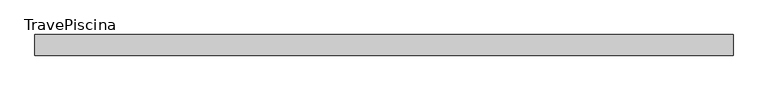
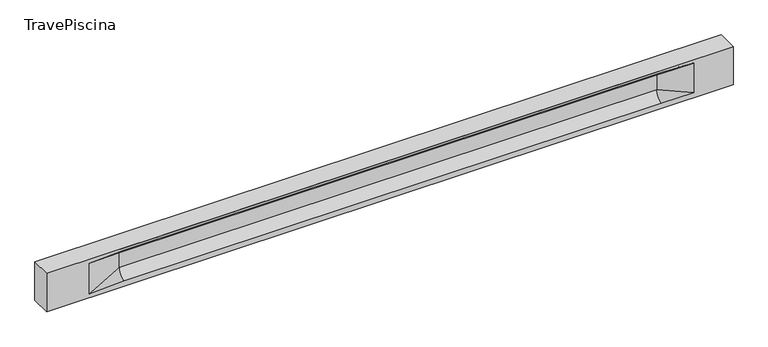
"""IFC4 building model written with IfcOpenShell, lengths in millimetres: beam geometry, TravePiscina."""

from ifc_helpers import new_model, si_unit, frame, origin, place, context, project, spatial, polyline, circle_curve, source, transform, mapped, element, save
from ifc_brep_helpers import plane_surface, revolved_surface, spline_surface, advanced_brep


def travepiscina_ce2eaea9(model_context):
    return source(origin(), model_context, "Body", "AdvancedBrep", [
        advanced_brep(
        [(8468.0, -250.0, 500.0), (8468.0, -250.0, -500.0), (8468.0, 250.0, -500.0), (8468.0, 250.0, 500.0), (-8468.0, -250.0, 500.0), (-8468.0, -250.0, -500.0), (7493.0, -250.0, -362.0), (6693.0, -250.0, -360.0), (-6568.0, -250.0, -360.0), (-7418.0, -250.0, -400.0), (-7418.0, -250.0, 400.0), (-6568.0, -250.0, 435.0), (6693.0, -250.0, 435.0), (7493.0, -250.0, 400.0), (-8468.0, 250.0, -500.0), (-8468.0, 250.0, 500.0), (7493.0, 250.0, 400.0), (6693.0, 250.0, 435.0), (-6568.0, 250.0, 435.0), (-7418.0, 250.0, 400.0), (-7418.0, 250.0, -400.0), (-6568.0, 250.0, -360.0), (6693.0, 250.0, -360.0), (7493.0, 250.0, -362.0), (6693.0, 155.0, 405.0), (-6568.0, 155.0, 405.0), (-6568.0, -60.0, 262.777021), (6693.0, -60.0, 262.777021), (6693.0, -155.0, 405.0), (-6568.0, -155.0, 405.0), (-6568.0, 60.0, 262.777021), (6693.0, 60.0, 262.777021), (6693.0, 60.0, -120.0), (-6568.0, 60.0, -120.0), (-6568.0, -60.0, -120.0), (6693.0, -60.0, -120.0)],
        [
            (0, 1),
            (1, 2),
            (2, 3),
            (3, 0),
            (0, 4),
            (4, 5),
            (5, 1),
            (6, 7),
            (7, 8),
            (8, 9),
            (9, 10),
            (10, 11),
            (11, 12),
            (12, 13),
            (13, 6),
            (5, 14),
            (14, 2),
            (14, 15),
            (15, 3),
            (16, 17),
            (17, 18),
            (18, 19),
            (19, 20),
            (20, 21),
            (21, 22),
            (22, 23),
            (23, 16),
            (15, 4),
            (17, 24),
            (24, 25),
            (25, 18),
            (26, 27),
            (27, 28, circle_curve(frame((6693.0, -213.9598725, 262.777021), z_axis=(1.0, 0.0, 0.0), x_axis=(0.0, 1.0, 0.0)), 153.9598725)),
            (28, 29),
            (29, 26, circle_curve(frame((-6568.0, -213.9598725, 262.777021), z_axis=(-1.0, 0.0, 0.0), x_axis=(0.0, 1.0, 0.0)), 153.9598725)),
            (30, 31),
            (31, 32),
            (32, 33),
            (33, 30),
            (28, 12),
            (11, 29),
            (34, 35),
            (35, 27),
            (26, 34),
            (25, 19),
            (22, 32, circle_curve(frame((6693.0, 306.5789474, -120.0), z_axis=(-1.0, 0.0, 0.0), x_axis=(0.0, 1.0, 0.0)), 246.5789474)),
            (32, 23),
            (10, 29),
            (10, 26),
            (13, 28),
            (27, 13),
            (30, 19),
            (25, 30, circle_curve(frame((-6568.0, 213.9598725, 262.777021), z_axis=(1.0, 0.0, 0.0), x_axis=(0.0, 1.0, 0.0)), 153.9598725)),
            (9, 34),
            (8, 34, circle_curve(frame((-6568.0, -306.5789474, -120.0), z_axis=(1.0, 0.0, 0.0), x_axis=(0.0, 1.0, 0.0)), 246.5789474)),
            (20, 33),
            (33, 21, circle_curve(frame((-6568.0, 306.5789474, -120.0), z_axis=(1.0, 0.0, 0.0), x_axis=(0.0, 1.0, 0.0)), 246.5789474)),
            (35, 6),
            (35, 7, circle_curve(frame((6693.0, -306.5789474, -120.0), z_axis=(-1.0, 0.0, 0.0), x_axis=(0.0, 1.0, 0.0)), 246.5789474)),
            (31, 16),
            (31, 24, circle_curve(frame((6693.0, 213.9598725, 262.777021), z_axis=(-1.0, 0.0, 0.0), x_axis=(0.0, 1.0, 0.0)), 153.9598725)),
            (24, 16),
        ],
        [
            plane_surface(frame((8468.0, 0.0, 0.0), z_axis=(1.0, 0.0, 0.0), x_axis=(0.0, 0.0, 1.0))),
            plane_surface(frame((8468.0, -250.0, 500.0), z_axis=(0.0, -1.0, 0.0), x_axis=(-1.0, 0.0, 0.0))),
            plane_surface(frame((8468.0, -250.0, -500.0), z_axis=(0.0, 0.0, -1.0), x_axis=(-1.0, 0.0, 0.0))),
            plane_surface(frame((8468.0, 250.0, -500.0), z_axis=(0.0, 1.0, 0.0), x_axis=(-1.0, 0.0, 0.0))),
            plane_surface(frame((8468.0, 250.0, 500.0), z_axis=(0.0, 0.0, 1.0), x_axis=(-1.0, 0.0, 0.0))),
            plane_surface(frame((-6568.0, 250.0, 435.0), z_axis=(0.0, 0.30113136793710954, -0.9535826651341378), x_axis=(1.0, 0.0, 0.0))),
            plane_surface(frame((-8468.0, 0.0, 0.0), z_axis=(-1.0, 0.0, 0.0), x_axis=(0.0, 0.0, 1.0))),
            revolved_surface(polyline([(6693.0, -60.0, 262.777021), (-6568.0, -60.0, 262.777021)]), (-6568.0, -213.9598725, 262.777021), (1.0, 0.0, 0.0)),
            plane_surface(frame((-6568.0, 60.0, 262.777021), z_axis=(0.0, 1.0, 0.0), x_axis=(1.0, 0.0, 0.0))),
            plane_surface(frame((-6568.0, -155.0, 405.0), z_axis=(0.0, -0.30113136793710693, -0.9535826651341387), x_axis=(1.0, 0.0, 0.0))),
            plane_surface(frame((-6568.0, -60.0, -120.0), z_axis=(0.0, -1.0, 0.0), x_axis=(1.0, 0.0, 0.0))),
            plane_surface(frame((-7418.0, 250.0, 400.0), z_axis=(0.03923493491469455, 0.30089950084952793, -0.9528484193567961), x_axis=(0.0, 0.9535826651341378, 0.30113136793710954))),
            spline_surface(2, 1, [[(6693.0, 250.0, -360.0), (7493.0, 250.0, -362.0)], [(6693.0, 60.00000002887427, -315.20833329480604), (7493.0, 250.0, -362.0)], [(6693.0, 60.0, -120.0), (7493.0, 250.0, -362.0)]], [3, 3], [2, 2], [0.0, 1.0], [0.0, 1.0], weights=[[1.0, 1.0], [0.7840458245391329, 0.7840458245391329], [1.0, 1.0]]),
            plane_surface(frame((-7418.0, -250.0, 400.0), z_axis=(0.039234934914694576, -0.3008995008495253, -0.952848419356797), x_axis=(0.0, 0.9535826651341387, -0.30113136793710693))),
            spline_surface(2, 1, [[(-7418.0, -250.0, 400.0), (-6568.0, -155.0, 405.0)], [(-7418.0, -250.0, 400.0), (-6568.0, -60.00000008030692, 365.6168572114734)], [(-7418.0, -250.0, 400.0), (-6568.0, -60.0, 262.777021)]], [3, 3], [2, 2], [0.0, 1.0], [0.0, 1.0], weights=[[1.0, 1.0], [0.8315515924557569, 0.8315515924557569], [1.0, 1.0]]),
            spline_surface(2, 1, [[(6693.0, -155.0, 405.0), (7493.0, -250.0, 400.0)], [(6693.0, -60.00000008030692, 365.6168572114734), (7493.0, -250.0, 400.0)], [(6693.0, -60.0, 262.777021), (7493.0, -250.0, 400.0)]], [3, 3], [2, 2], [0.0, 1.0], [0.0, 1.0], weights=[[1.0, 1.0], [0.8315515924557569, 0.8315515924557569], [1.0, 1.0]]),
            plane_surface(frame((6693.0, -202.5, 420.0), z_axis=(-0.04168298285568746, -0.30086965068766125, -0.9527538938442274), x_axis=(0.0, 0.9535826651341387, -0.30113136793710693))),
            spline_surface(2, 1, [[(-7418.0, 250.0, 400.0), (-6568.0, 60.0, 262.777021)], [(-7418.0, 250.0, 400.0), (-6568.0, 59.99999995452379, 365.6168572954922)], [(-7418.0, 250.0, 400.0), (-6568.0, 155.0, 405.0)]], [3, 3], [2, 2], [0.0, 1.0], [0.0, 1.0], weights=[[1.0, 1.0], [0.8315515921160737, 0.8315515921160737], [1.0, 1.0]]),
            plane_surface(frame((-7418.0, -250.0, 0.0), z_axis=(0.21814596370705333, -0.9759161534262669, 0.0), x_axis=(0.0, 0.0, -1.0))),
            spline_surface(2, 1, [[(-7418.0, -250.0, -400.0), (-6568.0, -60.0, -120.0)], [(-7418.0, -250.0, -400.0), (-6568.0, -59.99999998020837, -315.20833333333337)], [(-7418.0, -250.0, -400.0), (-6568.0, -250.0, -360.0)]], [3, 3], [2, 2], [0.0, 1.0], [0.0, 1.0], weights=[[1.0, 1.0], [0.7840458244617614, 0.7840458244617614], [1.0, 1.0]]),
            spline_surface(2, 1, [[(-7418.0, 250.0, -400.0), (-6568.0, 250.0, -360.0)], [(-7418.0, 250.0, -400.0), (-6568.0, 60.00000002887427, -315.20833329480604)], [(-7418.0, 250.0, -400.0), (-6568.0, 60.0, -120.0)]], [3, 3], [2, 2], [0.0, 1.0], [0.0, 1.0], weights=[[1.0, 1.0], [0.7840458245391329, 0.7840458245391329], [1.0, 1.0]]),
            plane_surface(frame((-7418.0, 250.0, 0.0), z_axis=(0.2181459637070493, 0.9759161534262679, 0.0), x_axis=(0.0, 0.0, 1.0))),
            plane_surface(frame((6693.0, -60.0, 71.3885105), z_axis=(-0.23107243079589737, -0.9729365507195602, 0.0), x_axis=(0.0, 0.0, -1.0))),
            spline_surface(2, 1, [[(6693.0, -60.0, -120.0), (7493.0, -250.0, -362.0)], [(6693.0, -59.99999998020837, -315.20833333333337), (7493.0, -250.0, -362.0)], [(6693.0, -250.0, -360.0), (7493.0, -250.0, -362.0)]], [3, 3], [2, 2], [0.0, 1.0], [0.0, 1.0], weights=[[1.0, 1.0], [0.7840458244617614, 0.7840458244617614], [1.0, 1.0]]),
            plane_surface(frame((6693.0, 60.0, 71.3885105), z_axis=(-0.23107243079589093, 0.9729365507195618, 0.0), x_axis=(0.0, 0.0, 1.0))),
            spline_surface(2, 1, [[(6693.0, 60.0, 262.777021), (7493.0, 250.0, 400.0)], [(6693.0, 59.99999995452379, 365.6168572954922), (7493.0, 250.0, 400.0)], [(6693.0, 155.0, 405.0), (7493.0, 250.0, 400.0)]], [3, 3], [2, 2], [0.0, 1.0], [0.0, 1.0], weights=[[1.0, 1.0], [0.8315515921160737, 0.8315515921160737], [1.0, 1.0]]),
            plane_surface(frame((6693.0, 202.5, 420.0), z_axis=(-0.04168298285568672, 0.30086965068766386, -0.9527538938442265), x_axis=(0.0, 0.9535826651341378, 0.30113136793710954))),
            revolved_surface(polyline([(6693.0, 367.919745, 262.777021), (-6568.0, 367.919745, 262.777021)]), (-6568.0, 213.9598725, 262.777021), (1.0, 0.0, 0.0)),
            revolved_surface(polyline([(6693.0, 553.1578948, -120.0), (-6568.0, 553.1578948, -120.0)]), (-6568.0, 306.5789474, -120.0), (1.0, 0.0, 0.0)),
            revolved_surface(polyline([(6693.0, -60.0, -120.0), (-6568.0, -60.0, -120.0)]), (-6568.0, -306.5789474, -120.0), (1.0, 0.0, 0.0)),
        ],
        [
            (0, [[1, 2, 3, 4]]),
            (1, [[-1, 5, 6, 7], [8, 9, 10, 11, 12, 13, 14, 15]]),
            (2, [[-2, -7, 16, 17]]),
            (3, [[-3, -17, 18, 19], [20, 21, 22, 23, 24, 25, 26, 27]]),
            (4, [[-5, -4, -19, 28]]),
            (5, [[-21, 29, 30, 31]]),
            (6, [[-28, -18, -16, -6]]),
            (7, [[32, 33, 34, 35]]),
            (8, [[36, 37, 38, 39]]),
            (9, [[-34, 40, -13, 41]]),
            (10, [[42, 43, -32, 44]]),
            (11, [[45, -22, -31]]),
            (12, [[-26, 46, 47]]),
            (13, [[-12, 48, -41]]),
            (14, [[-48, 49, -35]]),
            (15, [[50, -33, 51]]),
            (16, [[-14, -40, -50]]),
            (17, [[52, -45, 53]]),
            (18, [[-49, -11, 54, -44]]),
            (19, [[-54, -10, 55]]),
            (20, [[-24, 56, 57]]),
            (21, [[-52, -39, -56, -23]]),
            (22, [[-51, -43, 58, -15]]),
            (23, [[-58, 59, -8]]),
            (24, [[-47, -37, 60, -27]]),
            (25, [[-60, 61, 62]]),
            (26, [[-62, -29, -20]]),
            (27, [[-30, -61, -36, -53]]),
            (28, [[-38, -46, -25, -57]]),
            (29, [[-9, -59, -42, -55]]),
        ],
    ),
    ])


if __name__ == "__main__":
    model = new_model("IFC4")
    model_context = context("Model", 3, world=origin())
    ifc_project = project(units=[si_unit("LENGTHUNIT", "METRE", prefix="MILLI")], contexts=[model_context])
    site = spatial("IfcSite", under=ifc_project)
    building = spatial("IfcBuilding", under=site)
    placement = place(None, origin())
    travepiscina_shape = travepiscina_ce2eaea9(model_context)
    element("IfcBeam", 1, ObjectType="TravePiscina", at=placement, inside=building, context=model_context, shape_type="MappedRepresentation", body=[
        mapped(travepiscina_shape, transform((0.0, 0.0, 0.0), x_axis=(1.0, 0.0, 0.0), y_axis=(0.0, 1.0, 0.0), z_axis=(0.0, 0.0, 1.0))),
    ])
    save(model, "model.ifc")
